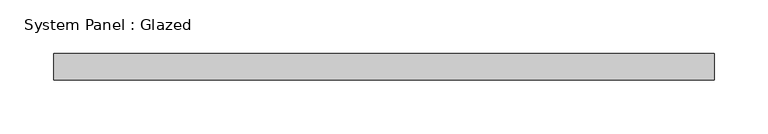
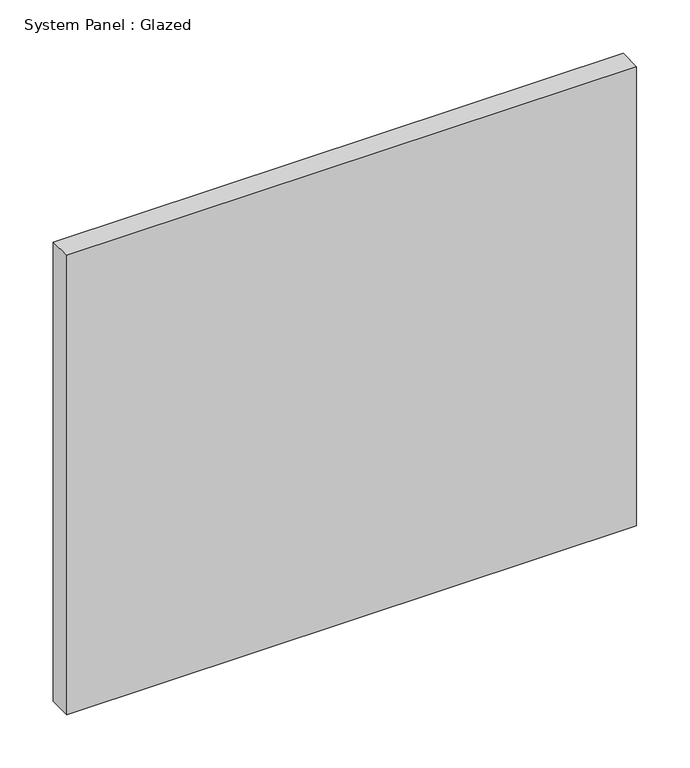
"""IFC4 building model written with IfcOpenShell, lengths in millimetres: plate geometry, System Panel : Glazed."""

from ifc_helpers import new_model, si_unit, origin, origin_with_axes, place, context, project, spatial, polyline, outline, extrude, source, transform, mapped, element, save


def system_panel_glazed_e12d0b36(model_context):
    return source(origin(), model_context, "Body", "SweptSolid", [
        extrude(outline(polyline([(308.3333333, -49.5), (-308.3333333, -49.5), (-308.3333333, -24.5), (308.3333333, -24.5), (308.3333333, -49.5)])), origin_with_axes(), (0.0, 0.0, 1.0), 525.0),
    ])


if __name__ == "__main__":
    model = new_model("IFC4")
    model_context = context("Model", 3, world=origin())
    ifc_project = project(units=[si_unit("LENGTHUNIT", "METRE", prefix="MILLI")], contexts=[model_context])
    site = spatial("IfcSite", under=ifc_project)
    building = spatial("IfcBuilding", under=site)
    placement = place(None, origin())
    system_panel_glazed_shape = system_panel_glazed_e12d0b36(model_context)
    element("IfcPlate", 1, ObjectType="System Panel : Glazed", at=placement, inside=building, context=model_context, shape_type="MappedRepresentation", body=[
        mapped(system_panel_glazed_shape, transform((0.0, 0.0, 0.0), x_axis=(1.0, 0.0, 0.0), y_axis=(0.0, 1.0, 0.0), z_axis=(0.0, 0.0, 1.0))),
    ])
    save(model, "model.ifc")
